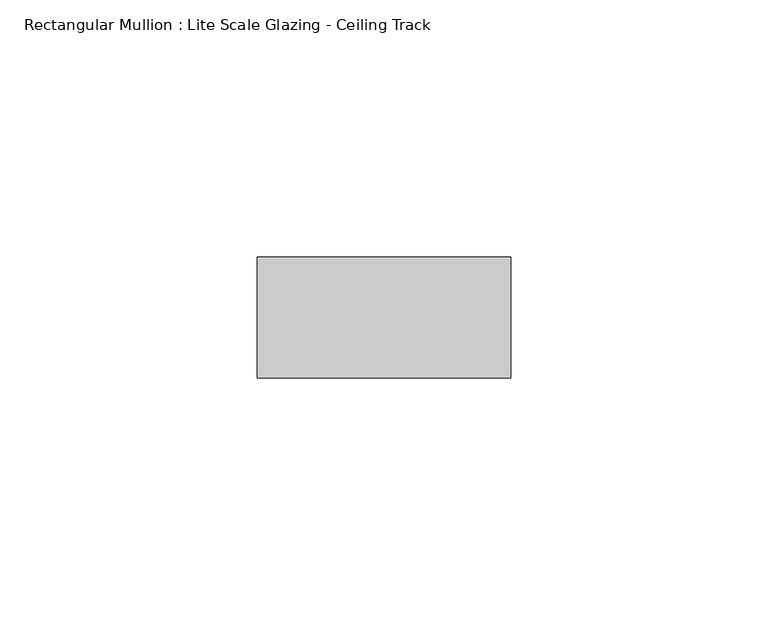
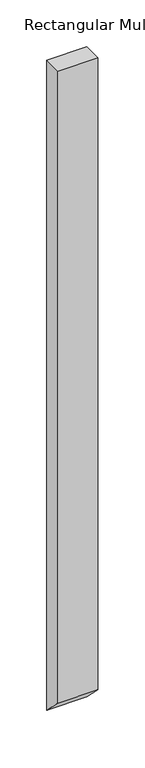
"""IFC4 building model written with IfcOpenShell, lengths in millimetres: member geometry, Rectangular Mullion : Lite Scale Glazing - Ceiling Track."""

import ifcopenshell
import ifcopenshell.guid

model = None  # the IFC model being written
_history = None  # IfcOwnerHistory: only IFC2X3 demands one
_inside = {}  # id of a spatial element -> (the spatial element, [elements in it])
_under = {}  # id of a project, library or spatial element -> (it, [spatial elements below it])
_declared = {}  # id of a project -> (the project, [libraries it declares])
_typed = {}  # id of a type object -> (the type object, [elements of that type])
_made_of = {}  # id of a material, layer set ... -> (it, [elements and type objects made of it])


def new_model(schema):
    """Start an empty IFC model of exactly this schema.

    Asked for "IFC4X3", IfcOpenShell would pick the latest addendum, in which some entities
    have other attributes; the version numbers below select the first issue.
    IFC2X3 requires an IfcOwnerHistory on every rooted entity: one is made here for all.
    """
    global model, _history
    if schema == "IFC4X3":
        model = ifcopenshell.file(schema_version=(4, 3, 0, 0))
    else:
        model = ifcopenshell.file(schema=schema)
    _inside.clear()
    _under.clear()
    _declared.clear()
    _typed.clear()
    _made_of.clear()
    _history = None
    if model.schema == "IFC2X3":
        org = make("IfcOrganization", Name="unknown")
        user = make(
            "IfcPersonAndOrganization",
            ThePerson=make("IfcPerson", FamilyName="unknown"),
            TheOrganization=org,
        )
        app = make(
            "IfcApplication",
            ApplicationDeveloper=org,
            Version="unknown",
            ApplicationFullName="unknown",
            ApplicationIdentifier="unknown",
        )
        _history = make(
            "IfcOwnerHistory",
            OwningUser=user,
            OwningApplication=app,
            ChangeAction="ADDED",
            CreationDate=0,
        )
    return model


def make(cls, **values):
    """One entity of the class cls with the attributes given. An attribute that is None is left unset."""
    return model.create_entity(
        cls, **{name: value for name, value in values.items() if value is not None}
    )


def rooted(cls, **values):
    """An entity with a GlobalId (a new one), such as an element, a storey or a relation."""
    return make(cls, GlobalId=ifcopenshell.guid.new(), OwnerHistory=_history, **values)


def si_unit(unit_type, name, prefix=None):
    """IfcSIUnit, for example si_unit("LENGTHUNIT", "METRE", prefix="MILLI")."""
    return make("IfcSIUnit", UnitType=unit_type, Prefix=prefix, Name=name)


def assignment(units):
    """IfcUnitAssignment: the units of a project."""
    return None if units is None else make("IfcUnitAssignment", Units=units)


def point(xyz):
    """IfcCartesianPoint."""
    return None if xyz is None else make("IfcCartesianPoint", Coordinates=xyz)


def direction(xyz):
    """IfcDirection."""
    return None if xyz is None else make("IfcDirection", DirectionRatios=xyz)


def frame(location, z_axis=None, x_axis=None):
    """IfcAxis2Placement3D, a coordinate frame: its origin and axes. An axis left out is left unset."""
    return make(
        "IfcAxis2Placement3D",
        Location=point(location),
        Axis=direction(z_axis),
        RefDirection=direction(x_axis),
    )


def origin():
    """The frame at (0, 0, 0) with its axes left unset."""
    return frame((0.0, 0.0, 0.0))


def place(relative_to, where):
    """IfcLocalPlacement: puts the frame where relative to a parent placement (None: the world)."""
    return make(
        "IfcLocalPlacement", PlacementRelTo=relative_to, RelativePlacement=where
    )


def context(
    kind, dimensions, precision=None, world=None, true_north=None, identifier=None
):
    """IfcGeometricRepresentationContext, for example the 3D "Model" context."""
    return make(
        "IfcGeometricRepresentationContext",
        ContextIdentifier=identifier,
        ContextType=kind,
        CoordinateSpaceDimension=dimensions,
        Precision=precision,
        WorldCoordinateSystem=world,
        TrueNorth=true_north,
    )


def project(units=None, contexts=None):
    """IfcProject with its units and contexts."""
    return rooted(
        "IfcProject",
        Name="project",
        RepresentationContexts=contexts,
        UnitsInContext=assignment(units),
    )


def spatial(cls, under=None, at=None, **own):
    """A site, building, storey or space (cls), placed at a placement, below another one or the project."""
    s = rooted(cls, ObjectPlacement=at, **own)
    if under is not None:
        _under.setdefault(under.id(), (under, []))[1].append(s)
    return s


def polyline(points):
    """IfcPolyline through the points."""
    return make("IfcPolyline", Points=[point(p) for p in points])


def outline(outer, holes=None, kind="AREA"):
    """IfcArbitraryClosedProfileDef: a profile drawn as a closed curve; with holes, ...WithVoids."""
    if holes is None:
        return make("IfcArbitraryClosedProfileDef", ProfileType=kind, OuterCurve=outer)
    return make(
        "IfcArbitraryProfileDefWithVoids",
        ProfileType=kind,
        OuterCurve=outer,
        InnerCurves=holes,
    )


def extrude(swept, where, along, depth):
    """IfcExtrudedAreaSolid: the profile swept, set in the frame where, extruded along a direction by depth."""
    return make(
        "IfcExtrudedAreaSolid",
        SweptArea=swept,
        Position=where,
        ExtrudedDirection=direction(along),
        Depth=depth,
    )


def shape(context_of_items, identifier, shape_type, items):
    """IfcShapeRepresentation: the items that make up one representation, for example the "Body"."""
    return make(
        "IfcShapeRepresentation",
        ContextOfItems=context_of_items,
        RepresentationIdentifier=identifier,
        RepresentationType=shape_type,
        Items=items,
    )


def source(mapping_origin, context_of_items, identifier, shape_type, items):
    """IfcRepresentationMap: a shape defined once, which mapped items show again and again."""
    return make(
        "IfcRepresentationMap",
        MappingOrigin=mapping_origin,
        MappedRepresentation=shape(context_of_items, identifier, shape_type, items),
    )


def transform(
    local_origin,
    x_axis=None,
    y_axis=None,
    z_axis=None,
    scale=None,
    scale2=None,
    scale3=None,
    uniform=True,
):
    """IfcCartesianTransformationOperator3D, or its non-uniform kind. x_axis, y_axis, z_axis: its Axis1, 2, 3."""
    if uniform:
        return make(
            "IfcCartesianTransformationOperator3D",
            Axis1=direction(x_axis),
            Axis2=direction(y_axis),
            LocalOrigin=point(local_origin),
            Scale=scale,
            Axis3=direction(z_axis),
        )
    return make(
        "IfcCartesianTransformationOperator3DnonUniform",
        Axis1=direction(x_axis),
        Axis2=direction(y_axis),
        LocalOrigin=point(local_origin),
        Scale=scale,
        Axis3=direction(z_axis),
        Scale2=scale2,
        Scale3=scale3,
    )


def mapped(mapping_source, mapping_target):
    """IfcMappedItem: shows the shape of a source again, moved by a transform."""
    return make(
        "IfcMappedItem", MappingSource=mapping_source, MappingTarget=mapping_target
    )


def made_of(thing, what):
    """Note that an element or type object is made of a material, layer set ...; save() writes the relation."""
    if what is not None:
        _made_of.setdefault(what.id(), (what, []))[1].append(thing)
    return thing


def element(
    cls,
    number,
    at=None,
    inside=None,
    cuts=None,
    type_object=None,
    material=None,
    context=None,
    identifier="Body",
    shape_type=None,
    held_by="IfcProductDefinitionShape",
    body=None,
    shapes=None,
    **own,
):
    """One element of the class cls, such as IfcWall. Its Tag is "e" and its number.

    at: its placement. inside: the storey or other place that contains it. cuts: it is an
    opening in that element (IfcRelVoidsElement). A single representation is given by context,
    identifier, shape_type and body (its items); several are given by shapes. held_by: the class
    of the entity that holds the representations. save() writes the other relations.
    """
    e = rooted(cls, Tag="e%d" % number, ObjectPlacement=at, **own)
    if body is not None:
        shapes = [shape(context, identifier, shape_type, body)]
    if shapes is not None:
        e.Representation = make(held_by, Representations=shapes)
    if inside is not None:
        _inside.setdefault(inside.id(), (inside, []))[1].append(e)
    if cuts is not None:
        rooted(
            "IfcRelVoidsElement", RelatingBuildingElement=cuts, RelatedOpeningElement=e
        )
    if type_object is not None:
        _typed.setdefault(type_object.id(), (type_object, []))[1].append(e)
    return made_of(e, material)


def aggregate(whole, parts):
    """IfcRelAggregates: a whole, such as a stair, and the parts it consists of."""
    return rooted("IfcRelAggregates", RelatingObject=whole, RelatedObjects=parts)


def save(model, path):
    """Write the relations noted so far, then the file.

    IfcRelAggregates (storeys below a building ...), IfcRelContainedInSpatialStructure (elements
    in a storey), IfcRelDefinesByType, IfcRelAssociatesMaterial and IfcRelDeclares: one each for
    every whole, place, type object, material and project.
    """
    for whole, parts in _under.values():
        aggregate(whole, parts)
    for where, things in _inside.values():
        rooted(
            "IfcRelContainedInSpatialStructure",
            RelatedElements=things,
            RelatingStructure=where,
        )
    for kind, things in _typed.values():
        rooted("IfcRelDefinesByType", RelatedObjects=things, RelatingType=kind)
    for what, things in _made_of.values():
        rooted("IfcRelAssociatesMaterial", RelatedObjects=things, RelatingMaterial=what)
    for by, libraries in _declared.values():
        rooted("IfcRelDeclares", RelatingContext=by, RelatedDefinitions=libraries)
    model.write(path)


def rectangular_mullion_lite_scale_glazing_ceiling_track_b58462d5(model_context):
    return source(origin(), model_context, "Body", "SweptSolid", [
        extrude(outline(polyline([(-11.7474999, 0.0), (11.7474999, 0.0), (11.7474999, -847.091554), (-11.7474999, -823.5965541), (-11.7474999, 0.0)])), frame((-49.276, 0.0, 0.0), z_axis=(1.0, 0.0, 0.0), x_axis=(0.0, 1.0, 0.0)), (0.0, 0.0, 1.0), 49.276),
    ])


if __name__ == "__main__":
    model = new_model("IFC4")
    model_context = context("Model", 3, world=origin())
    ifc_project = project(units=[si_unit("LENGTHUNIT", "METRE", prefix="MILLI")], contexts=[model_context])
    site = spatial("IfcSite", under=ifc_project)
    building = spatial("IfcBuilding", under=site)
    placement = place(None, origin())
    rectangular_mullion_lite_scale_glazing_ceiling_track_shape = rectangular_mullion_lite_scale_glazing_ceiling_track_b58462d5(model_context)
    element("IfcMember", 1, ObjectType="Rectangular Mullion : Lite Scale Glazing - Ceiling Track", at=placement, inside=building, context=model_context, shape_type="MappedRepresentation", body=[
        mapped(rectangular_mullion_lite_scale_glazing_ceiling_track_shape, transform((0.0, 0.0, 0.0), x_axis=(1.0, 0.0, 0.0), y_axis=(0.0, 1.0, 0.0), z_axis=(0.0, 0.0, 1.0))),
    ])
    save(model, "model.ifc")
